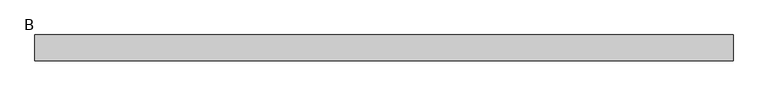
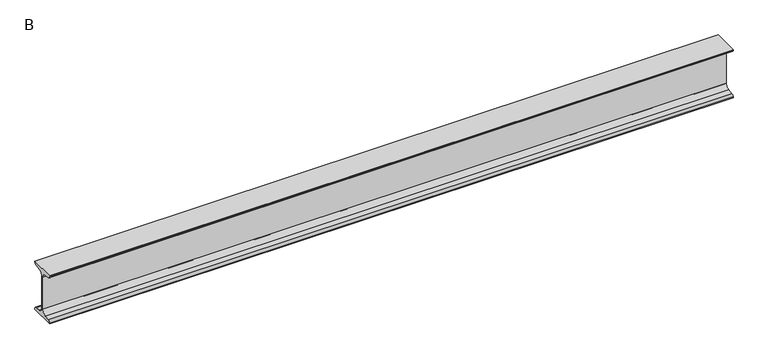
"""IFC4 building model written with IfcOpenShell, lengths in millimetres: beam geometry, B."""

from ifc_helpers import new_model, si_unit, point, frame, frame_2d, origin, place, context, project, spatial, polyline, circle_curve, trimmed, segment, composite_curve, outline, extrude, source, transform, mapped, element, save


def b_26e76331(model_context):
    return source(origin(), model_context, "Body", "SweptSolid", [
        extrude(outline(composite_curve([segment(polyline([(25.0, 50.0), (25.0, 48.5034153)]), True, "CONTINUOUS"), segment(trimmed(circle_curve(frame_2d((20.5, 48.5034153)), 4.5), [point((25.0, 48.5034153))], [point((21.126279, 44.047209))], False, "CARTESIAN"), True, "CONTINUOUS"), segment(polyline([(21.126279, 44.047209), (10.0974421, 42.497207)]), True, "CONTINUOUS"), segment(trimmed(circle_curve(frame_2d((11.35, 33.5847944)), 9.0), [point((10.0974421, 42.497207))], [point((2.35, 33.5847944))], True, "CARTESIAN"), True, "CONTINUOUS"), segment(polyline([(2.35, 33.5847944), (2.35, -33.5847944)]), True, "CONTINUOUS"), segment(trimmed(circle_curve(frame_2d((11.35, -33.5847944)), 9.0), [point((2.35, -33.5847944))], [point((10.0974421, -42.497207))], True, "CARTESIAN"), True, "CONTINUOUS"), segment(polyline([(10.0974421, -42.497207), (21.126279, -44.047209)]), True, "CONTINUOUS"), segment(trimmed(circle_curve(frame_2d((20.5, -48.5034153)), 4.5), [point((21.126279, -44.047209))], [point((25.0, -48.5034153))], False, "CARTESIAN"), True, "CONTINUOUS"), segment(polyline([(25.0, -48.5034153), (25.0, -50.0), (-25.0, -50.0), (-25.0, -48.5034153)]), True, "CONTINUOUS"), segment(trimmed(circle_curve(frame_2d((-20.5, -48.5034153)), 4.5), [point((-25.0, -48.5034153))], [point((-21.126279, -44.047209))], False, "CARTESIAN"), True, "CONTINUOUS"), segment(polyline([(-21.126279, -44.047209), (-10.0974421, -42.497207)]), True, "CONTINUOUS"), segment(trimmed(circle_curve(frame_2d((-11.35, -33.5847944)), 9.0), [point((-10.0974421, -42.497207))], [point((-2.35, -33.5847944))], True, "CARTESIAN"), True, "CONTINUOUS"), segment(polyline([(-2.35, -33.5847944), (-2.35, 33.5847944)]), True, "CONTINUOUS"), segment(trimmed(circle_curve(frame_2d((-11.35, 33.5847944)), 9.0), [point((-2.35, 33.5847944))], [point((-10.0974421, 42.497207))], True, "CARTESIAN"), True, "CONTINUOUS"), segment(polyline([(-10.0974421, 42.497207), (-21.126279, 44.047209)]), True, "CONTINUOUS"), segment(trimmed(circle_curve(frame_2d((-20.5, 48.5034153)), 4.5), [point((-21.126279, 44.047209))], [point((-25.0, 48.5034153))], False, "CARTESIAN"), True, "CONTINUOUS"), segment(polyline([(-25.0, 48.5034153), (-25.0, 50.0), (25.0, 50.0)]), True, "CONTINUOUS")], self_intersect=False)), frame((-603.35, 0.0, 0.0), z_axis=(1.0, 0.0, 0.0), x_axis=(0.0, 1.0, 0.0)), (0.0, 0.0, 1.0), 1343.1),
    ])


if __name__ == "__main__":
    model = new_model("IFC4")
    model_context = context("Model", 3, world=origin())
    ifc_project = project(units=[si_unit("LENGTHUNIT", "METRE", prefix="MILLI")], contexts=[model_context])
    site = spatial("IfcSite", under=ifc_project)
    building = spatial("IfcBuilding", under=site)
    placement = place(None, origin())
    b_shape = b_26e76331(model_context)
    element("IfcBeam", 1, ObjectType="B", at=placement, inside=building, context=model_context, shape_type="MappedRepresentation", body=[
        mapped(b_shape, transform((0.0, 0.0, 0.0), x_axis=(1.0, 0.0, 0.0), y_axis=(0.0, 1.0, 0.0), z_axis=(0.0, 0.0, 1.0))),
    ])
    save(model, "model.ifc")
